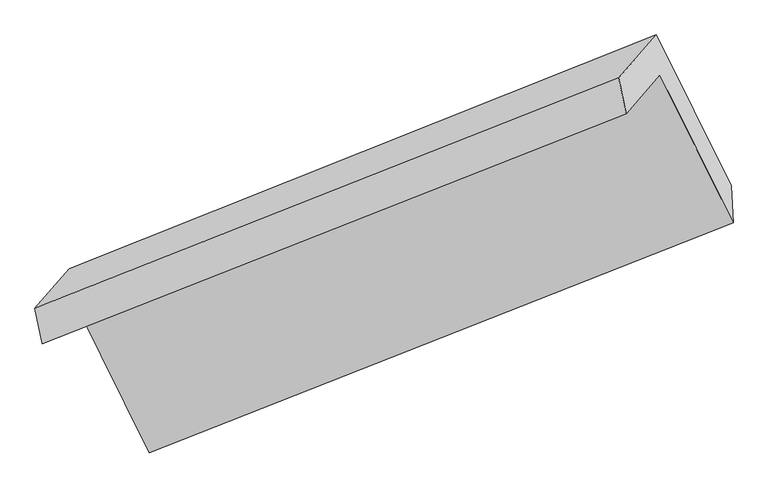
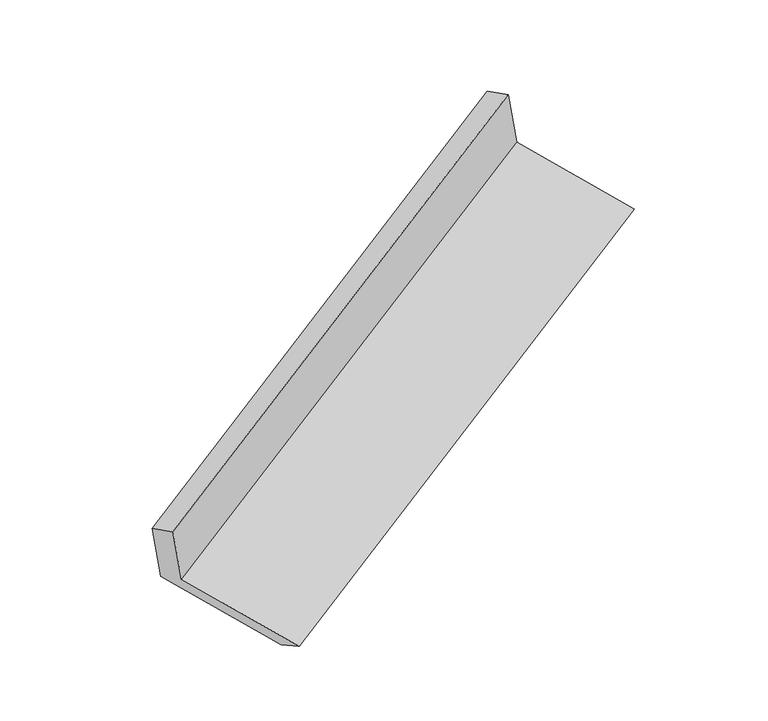
"""IFC4 building model written with IfcOpenShell, lengths in millimetres: proxy geometry."""

from ifc_helpers import new_model, si_unit, frame, origin, place, context, project, spatial, source, transform, mapped, element, save
from ifc_brep_helpers import plane_surface, spline_surface, advanced_brep


def generic_models_02145dd2(model_context):
    return source(origin(), model_context, "Body", "AdvancedBrep", [
        advanced_brep(
        [(-4290.2431005, -1972.3969894, 1712.749725), (-4146.3357677, -1808.0564267, 1274.3944743), (-1664.1646126, -829.2370054, 2456.2267079), (-1808.0719455, -993.577568, 2894.5819586), (-4321.3306518, -1820.895257, 1652.8509524), (-1839.2579894, -842.1146752, 2834.6362909), (-4175.187556, -1654.0014781, 1207.6853577), (-1679.1501345, -659.2732978, 2346.9327285), (-3857.9595007, -2295.6168153, 1071.2846141), (-1361.3933433, -1300.6801333, 2210.783731), (-3835.9125546, -2435.9085073, 1140.9196558), (-1353.2240056, -1456.8850567, 2322.9982354)],
        [
            (0, 1),
            (1, 2),
            (2, 3),
            (3, 0),
            (4, 0),
            (3, 5),
            (5, 4),
            (6, 4),
            (5, 7),
            (7, 6),
            (8, 6),
            (7, 9),
            (9, 8),
            (10, 8),
            (9, 11),
            (11, 10),
            (1, 10),
            (11, 2),
        ],
        [
            plane_surface(frame((-4218.2894341, -1890.2267081, 1493.5720996), z_axis=(0.4360988464313902, -0.8802857683200283, -0.18685492296011003), x_axis=(0.2938276918016118, 0.33554793373948205, -0.8950267435633984))),
            plane_surface(frame((-4305.7868762, -1896.6461232, 1682.8003387), z_axis=(-0.4910802747059205, 0.2312814346639424, 0.8398506187260605), x_axis=(0.1880347843432487, -0.9132383849375831, 0.3614395829922102))),
            plane_surface(frame((-4248.2591039, -1737.4483676, 1430.2681551), z_axis=(-0.43609884643140817, 0.8802857683200123, 0.1868549229601434), x_axis=(-0.2938276918015947, -0.33554793373951797, 0.8950267435633905))),
            spline_surface(1, 1, [[(-3857.9595007, -2295.6168153, 1071.2846141), (-1361.3933433, -1300.6801333, 2210.783731)], [(-4175.187556, -1654.0014781, 1207.6853577), (-1679.1501345, -659.2732978, 2346.9327285)]], [2, 2], [2, 2], [0.0, 1.0], [0.0, 1.0]),
            spline_surface(1, 1, [[(-3835.9125546, -2435.9085073, 1140.9196558), (-1353.2240056, -1456.8850567, 2322.9982354)], [(-3857.9595007, -2295.6168153, 1071.2846141), (-1361.3933433, -1300.6801333, 2210.783731)]], [2, 2], [2, 2], [0.0, 1.0], [0.0, 1.0]),
            plane_surface(frame((-3991.1241611, -2121.982467, 1207.657065), z_axis=(-0.2938276918016061, -0.33554793373948566, 0.8950267435633991), x_axis=(0.43609884643138797, -0.8802857683200278, -0.18685492296011674))),
            plane_surface(frame((-1617.5436718, -1013.6279561, 2511.0266087), z_axis=(0.8505780879329955, 0.33541697967810075, 0.4049844022575068), x_axis=(-0.4360988464314012, 0.8802857683200129, 0.18685492296015582))),
            plane_surface(frame((-4104.4948552, -1997.812579, 1343.3141299), z_axis=(-0.85094982679713, -0.3346658606431688, -0.40482484359769955), x_axis=(-0.29382769180166446, -0.33554793373951586, 0.8950267435633684))),
        ],
        [
            (0, [[1, 2, 3, 4]]),
            (1, [[5, -4, 6, 7]]),
            (2, [[8, -7, 9, 10]]),
            (3, [[11, -10, 12, 13]]),
            (4, [[14, -13, 15, 16]]),
            (5, [[17, -16, 18, -2]]),
            (6, [[-12, -9, -6, -3, -18, -15]]),
            (7, [[-1, -5, -8, -11, -14, -17]]),
        ],
    ),
    ])


if __name__ == "__main__":
    model = new_model("IFC4")
    model_context = context("Model", 3, world=origin())
    ifc_project = project(units=[si_unit("LENGTHUNIT", "METRE", prefix="MILLI")], contexts=[model_context])
    site = spatial("IfcSite", under=ifc_project)
    building = spatial("IfcBuilding", under=site)
    placement = place(None, origin())
    generic_models_shape = generic_models_02145dd2(model_context)
    element("IfcBuildingElementProxy", 1, Name="Generic Models", at=placement, inside=building, context=model_context, shape_type="MappedRepresentation", body=[
        mapped(generic_models_shape, transform((0.0, 0.0, 0.0), x_axis=(1.0, 0.0, 0.0), y_axis=(0.0, 1.0, 0.0), z_axis=(0.0, 0.0, 1.0))),
    ])
    save(model, "model.ifc")
